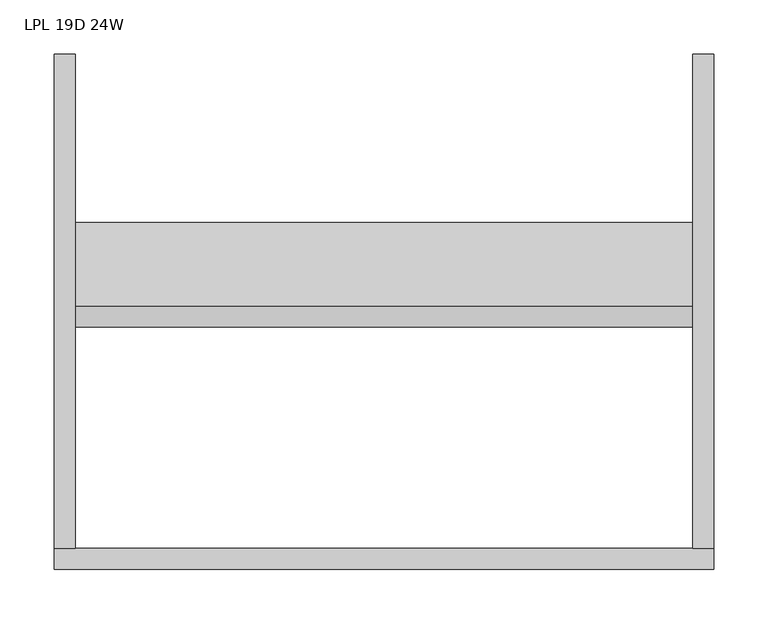
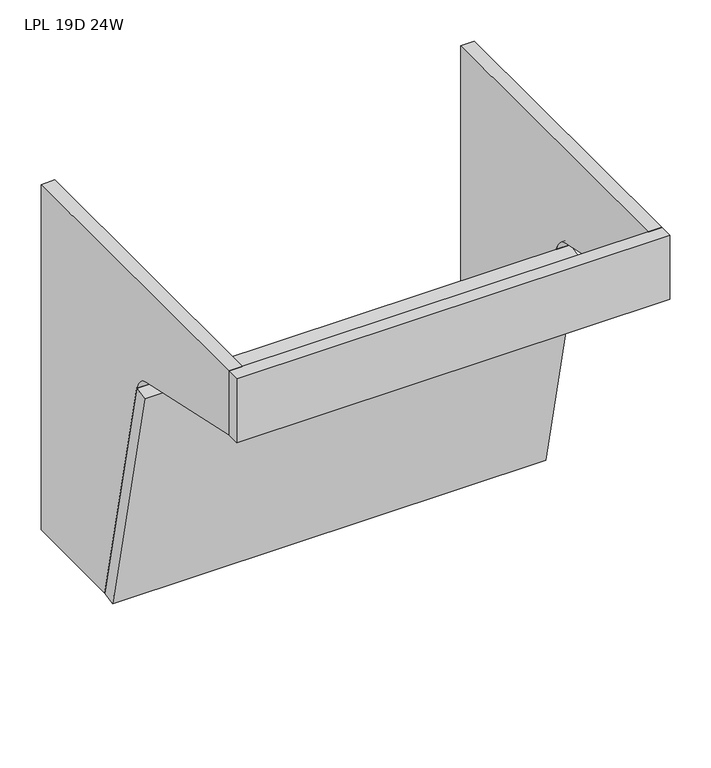
"""IFC4 building model written with IfcOpenShell, lengths in millimetres: furniture geometry, LPL 19D 24W."""

from ifc_helpers import new_model, si_unit, point, frame, frame_2d, origin, place, context, project, spatial, polyline, circle_curve, trimmed, segment, composite_curve, outline, extrude, source, transform, mapped, element, save


def lpl_19d_24w_02bef727(model_context):
    return source(origin(), model_context, "Body", "SweptSolid", [
        extrude(outline(composite_curve([segment(polyline([(0.0, 837.53452), (0.0, 323.85), (-155.6908866, 323.85), (-233.588736, 676.1110693)]), True, "CONTINUOUS"), segment(trimmed(circle_curve(frame_2d((-262.9278821, 669.9844644)), 29.972), [point((-233.588736, 676.1110693))], [point((-256.6453745, 699.2906222))], True, "CARTESIAN"), True, "CONTINUOUS"), segment(polyline([(-256.6453745, 699.2906222), (-457.2, 742.28452), (-457.2, 837.53452), (0.0, 837.53452)]), True, "CONTINUOUS")], self_intersect=False)), frame((0.0, 0.0, 0.0), z_axis=(1.0, 0.0, 0.0), x_axis=(0.0, 1.0, 0.0)), (0.0, 0.0, 1.0), 19.304),
        extrude(outline(composite_curve([segment(polyline([(0.0, 837.53452), (0.0, 323.85), (-155.6908866, 323.85), (-233.588736, 676.1110693)]), True, "CONTINUOUS"), segment(trimmed(circle_curve(frame_2d((-262.9278821, 669.9844644)), 29.972), [point((-233.588736, 676.1110693))], [point((-256.6453745, 699.2906222))], True, "CARTESIAN"), True, "CONTINUOUS"), segment(polyline([(-256.6453745, 699.2906222), (-457.2, 742.28452), (-457.2, 837.53452), (0.0, 837.53452)]), True, "CONTINUOUS")], self_intersect=False)), frame((590.296, 0.0, 0.0), z_axis=(1.0, 0.0, 0.0), x_axis=(0.0, 1.0, 0.0)), (0.0, 0.0, 1.0), 19.304),
        extrude(outline(polyline([(0.0, -457.2), (609.6, -457.2), (609.6, -476.504), (0.0, -476.504), (0.0, -457.2)])), frame((0.0, 0.0, 742.28452), z_axis=(0.0, 0.0, 1.0), x_axis=(1.0, 0.0, 0.0)), (0.0, 0.0, 1.0), 95.25),
        extrude(outline(polyline([(0.0, -19.2230589), (0.0, 0.0), (609.6, 0.0), (609.6, -19.2230589), (0.0, -19.2230589)])), frame((609.6, -174.4604926, 319.6993513), z_axis=(0.0, -0.2159203016021953, 0.9764109910053332), x_axis=(-1.0, 0.0, 0.0)), (0.0, 0.0, 1.0), 360.7713069),
    ])


if __name__ == "__main__":
    model = new_model("IFC4")
    model_context = context("Model", 3, world=origin())
    ifc_project = project(units=[si_unit("LENGTHUNIT", "METRE", prefix="MILLI")], contexts=[model_context])
    site = spatial("IfcSite", under=ifc_project)
    building = spatial("IfcBuilding", under=site)
    placement = place(None, origin())
    lpl_19d_24w_shape = lpl_19d_24w_02bef727(model_context)
    element("IfcFurniture", 1, ObjectType="LPL 19D 24W", at=placement, inside=building, context=model_context, shape_type="MappedRepresentation", body=[
        mapped(lpl_19d_24w_shape, transform((0.0, 0.0, 0.0), x_axis=(1.0, 0.0, 0.0), y_axis=(0.0, 1.0, 0.0), z_axis=(0.0, 0.0, 1.0))),
    ])
    save(model, "model.ifc")
